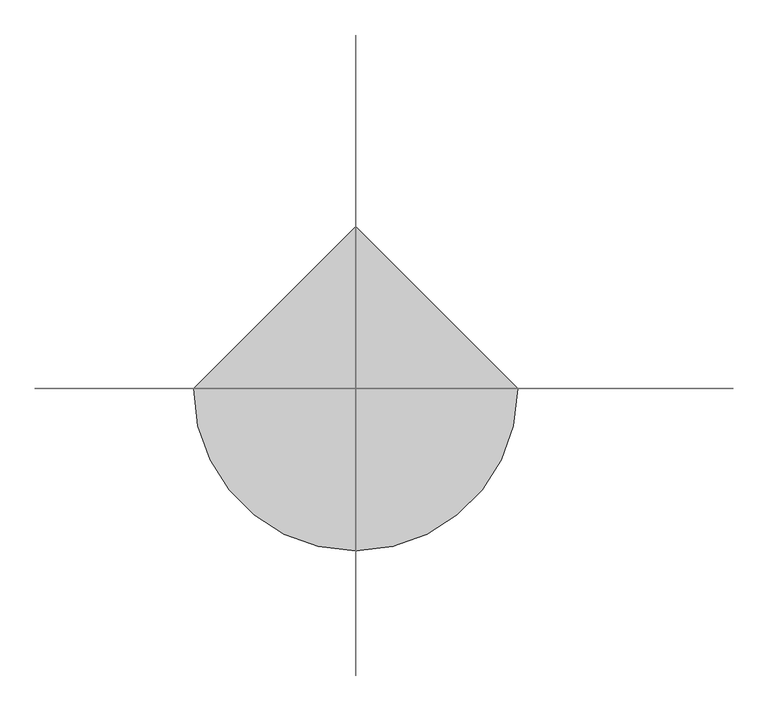
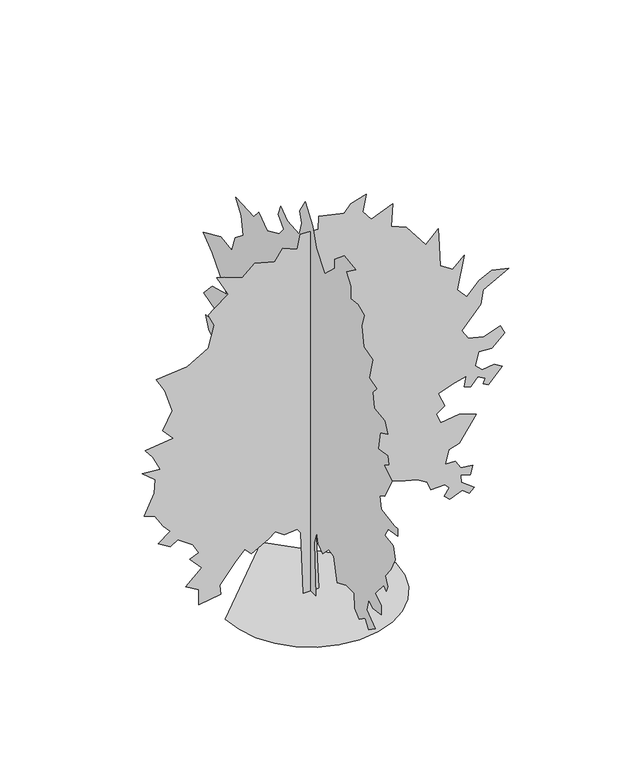
"""IFC4 building model written with IfcOpenShell, lengths in millimetres: geographic element geometry."""

from ifc_helpers import new_model, si_unit, origin, place, context, project, spatial, triangles, source, transform, mapped, element, save


def geographic_element_09a96fa2(model_context):
    return source(origin(), model_context, "Body", "Tessellation", [
        triangles([(-1888.5890831, 0.0, 0.0002649), (-1838.6639328, -432.7403375, 0.0002649), (-1696.4638916, -830.1419163, 0.0002649), (-1473.3886997, -1180.8209473, 0.0002649), (-1180.8209473, -1473.3886997, 0.0002649), (-830.1419163, -1696.4638916, 0.0002649), (-432.7391021, -1838.6639328, 0.0002649), (8.26e-05, -1888.5890831, 0.0002649), (432.7403375, -1838.6639328, 0.0002649), (830.1419163, -1696.4638916, 0.0002649), (1180.8209473, -1473.3886997, 0.0002649), (1473.3886997, -1180.8209473, 0.0002649), (1696.4638916, -830.1419163, 0.0002649), (1838.6639328, -432.7391021, 0.0002649), (1888.5890831, 0.0001651, 0.0002649), (-0.0002477, 1888.5890831, 0.0002649), (-159.0013776, 0.0, 0.0039451), (-221.7626812, -8.6e-05, 1443.5136337), (-297.0764889, -9.2e-05, 1543.9387539), (-585.7804873, -9.05e-05, 1518.8261879), (-786.616884, -9.88e-05, 1656.9138348), (-937.2445358, -9.2e-05, 1543.9387539), (-1313.8135563, -7.93e-05, 1330.5510521), (-1464.4386646, -8.9e-05, 1493.7262665), (-1677.8263664, -7.41e-05, 1242.6809795), (-2016.7391098, -5.01e-05, 841.0069508), (-1991.639043, -3.67e-05, 615.0655094), (-2481.1770401, -3.22e-05, 539.7516835), (-2481.1770401, -5.31e-05, 891.2169674), (-2769.8771507, -6.36e-05, 1066.9496275), (-2418.4144466, -8.3e-05, 1393.3136456), (-2682.0147812, -0.0001003, 1682.0139015), (-2481.1770401, -0.0001047, 1757.3264557), (-2619.2520424, -0.000119, 1995.8140789), (-2945.6149704, -0.0001332, 2234.3143467), (-3108.7898941, -0.0001264, 2121.3392658), (-3384.9401894, -0.0001362, 2284.5268341), (-3108.7898941, -0.0001481, 2485.3645752), (-3271.9776077, -0.0001586, 2661.0896049), (-3460.2652428, -0.0001766, 2962.3523209), (-3686.2029053, -0.0001811, 3037.664875), (-3472.8153488, -0.0002087, 3502.1028053), (-3447.7029282, -0.0002274, 3815.9031281), (-3736.415538, -0.0002417, 4054.4033958), (-3334.7400558, -0.0002394, 4016.7408691), (-3497.9152702, -0.0002596, 4355.6536125), (-3673.6530899, -0.0002723, 4569.041169), (-3046.027446, -0.0002768, 4644.3537231), (-3284.5277138, -0.0002925, 4907.9539124), (-3071.1398666, -0.0003157, 5297.0789978), (-3234.315081, -0.0003472, 5824.2799576), (-3422.6027161, -0.0003666, 6150.629805), (-2732.2271233, -0.0003703, 6213.3922531), (-2267.7893383, -0.0003868, 6489.5428391), (-2142.2642967, -0.000416, 6979.09319), (-2267.7893383, -0.0004324, 7255.2431946), (-2142.2642967, -0.0004392, 7368.2060669), (-1828.463974, -0.0004526, 7594.1562286), (-2079.5017033, -0.0004811, 8071.1439743), (-1916.3264889, -0.0004781, 8020.9313416), (-1514.651152, -0.0004691, 7870.3062332), (-1238.4996941, -0.0004841, 8121.3438171), (-799.1693882, -0.0004766, 7995.8189209), (-623.4367281, -0.0004923, 8259.4191101), (-297.0764889, -0.0004841, 8121.3438171), (-234.3151853, -0.0005035, 8447.7070358), (167.3588798, -0.000502, 8422.6068237), (179.9114021, -0.00052, 8723.8570404), (744.7655869, -0.0005125, 8598.3321442), (895.3920033, -0.0005222, 8761.5198578), (1234.3060547, -0.000529, 8874.4821487), (1158.9909571, -0.0005058, 8485.3692719), (1347.2760487, -0.0004916, 8246.8692947), (1824.2639397, -0.0005028, 8435.1566391), (1786.601413, -0.0004721, 7920.5066574), (2125.5141563, -0.0004639, 7782.4313644), (2552.3020592, -0.0004309, 7230.1307739), (2828.4523544, -0.0004474, 7506.2807785), (2853.5522758, -0.0004227, 7092.055481), (2878.6521973, -0.0003943, 6615.0677353), (3154.8149918, -0.0003838, 6439.3424149), (3405.8528664, -0.000398, 6677.8301834), (3255.227758, -0.0003531, 5924.6924332), (3468.6153145, -0.0003389, 5686.2046646), (3744.7656097, -0.0003561, 5974.9050659), (4020.9156143, -0.0003644, 6112.9797775), (4397.4911751, -0.0003591, 6025.1171173), (3832.6279793, -0.0003412, 5723.8546921), (3769.8780304, -0.0003217, 5397.4920547), (3355.6402336, -0.0002933, 4920.5037277), (3493.7277351, -0.0002806, 4707.1161713), (3845.1905846, -0.0002753, 4619.2538017), (4209.20354, -0.0002828, 4744.778698), (4309.6160156, -0.0002708, 4543.9412476), (4020.9156143, -0.0002551, 4280.3410583), (3732.2155037, -0.0002566, 4305.4409798), (3656.9029495, -0.0002387, 4004.1907631), (3807.5280579, -0.0002297, 3853.5656548), (4071.1282471, -0.0002319, 3891.2156822), (4246.8660667, -0.0002252, 3778.2531006), (3945.6030602, -0.0002057, 3451.8901726), (3832.6279793, -0.0002095, 3514.6529114), (3870.290506, -0.0002162, 3627.615493), (3707.1155823, -0.0002222, 3728.0404678), (3556.4779747, -0.000211, 3539.7528328), (3405.8528664, -0.000214, 3589.9654655), (3456.0652084, -0.0002282, 3828.4532341), (3192.4650192, -0.0002245, 3765.6904953), (2828.4523544, -0.0002162, 3627.615493), (2979.0774628, -0.0001968, 3301.2650642), (2790.7898277, -0.0001885, 3163.190062), (2891.2148026, -0.0001743, 2924.6897942), (3292.8902847, -0.0001781, 2987.452533), (3669.4530556, -0.0001706, 2861.927346), (3292.8902847, -0.0001377, 2309.6269009), (3066.9398323, -0.0001332, 2234.3143467), (2991.6272781, -0.0001145, 1920.5015247), (3205.0151253, -0.0001145, 1920.5015247), (3330.5403122, -0.0001025, 1719.663929), (3594.1405014, -0.0001003, 1682.0139015), (3543.9278687, -8.83e-05, 1481.1761604), (3330.5403122, -9.2e-05, 1543.9387539), (3343.0901276, -8.23e-05, 1380.7511856), (3631.8030281, -6.88e-05, 1154.8146858), (3518.8279472, -6.28e-05, 1054.3971233), (3368.2028389, -7.03e-05, 1179.9196941), (3092.0525436, -6.36e-05, 1066.9496275), (2966.5273567, -7.03e-05, 1179.9196941), (3079.4899384, -8.01e-05, 1343.1010128), (2979.0774628, -8.6e-05, 1443.5136337), (2665.2646408, -8.6e-05, 1443.5136337), (2589.9520866, -9.8e-05, 1644.3513748), (2364.0144241, -0.0001062, 1782.4263771), (2100.4142349, -0.00011, 1845.1889706), (1661.0888706, -0.0001182, 1983.2641182), (1535.5636837, -0.0001062, 1782.4263771), (1397.4886814, -0.0001137, 1907.951564), (1334.726088, -0.0001212, 2033.4766056), (1083.6770948, -0.0001212, 2033.4766056), (958.154524, -0.0001257, 2108.7891598), (518.8229101, -0.000119, 1995.8140789), (179.9114021, -0.0001062, 1782.4263771), (117.1493446, -8.68e-05, 1456.076239), (179.9114021, 0.0, 0.000237), (0.0, 181.8651528, 0.0), (0.0, 156.7613799, 1317.9885921), (0.0, 282.283987, 1845.1889706), (0.0, 508.2254102, 2133.8892265), (0.0, 972.6607607, 2297.0767948), (0.0, 1261.3635601, 1920.5015247), (0.0, 1361.7885349, 2133.8892265), (0.0, 1750.9014118, 2008.364185), (0.0, 2027.0517071, 2046.0267117), (0.0, 2391.0768711, 1669.4512962), (0.0, 2704.8770485, 1280.3385647), (0.0, 3031.2399765, 1255.2259987), (0.0, 2842.9523415, 1594.1387421), (0.0, 3269.7402443, 1732.2138897), (0.0, 3018.6898705, 1845.1889706), (0.0, 2579.3521523, 2046.0267117), (0.0, 2830.4022354, 2422.6019817), (0.0, 3068.9025032, 2711.3022377), (0.0, 2968.4775284, 3050.2149811), (0.0, 3169.3149788, 3464.4402786), (0.0, 3407.8152466, 3351.4651978), (0.0, 3734.1653847, 3238.5026161), (0.0, 3972.6656525, 3251.0527222), (0.0, 3696.5153572, 3627.615493), (0.0, 3909.9032043, 3765.6904953), (0.0, 4022.8782852, 4041.8407906), (0.0, 3696.5153572, 4054.3908966), (0.0, 3646.3030151, 4368.2034279), (0.0, 4098.1908394, 4506.2787209), (0.0, 3771.8279114, 4857.7412796), (0.0, 3219.5276115, 5008.3663879), (0.0, 3771.8279114, 5648.5418472), (0.0, 4123.2907608, 5912.1420364), (0.0, 3445.465274, 6213.3922531), (0.0, 3031.2399765, 6150.629805), (0.0, 2905.7147896, 6514.6552597), (0.0, 2579.3521523, 6778.2432404), (0.0, 2667.227021, 7179.9181412), (0.0, 2880.6148682, 7481.1811478), (0.0, 2177.6893147, 7456.0687271), (0.0, 2001.9516403, 7669.4684921), (0.0, 1675.5888577, 7430.968515), (0.0, 1211.1560143, 7644.3560715), (0.0, 1035.4233541, 7857.7436279), (0.0, 1236.2597145, 8083.6937897), (0.0, 1148.3934208, 8322.1815582), (0.0, 897.3482065, 8133.8942139), (0.0, 445.4641248, 8096.2441864), (0.0, 332.4940218, 8422.6068237), (0.0, 420.3590801, 8661.0945923), (0.0, 206.9701611, 9000.007045), (0.0, -81.73282, 8598.3321442), (0.0, -219.8076769, 8184.1068466), (0.0, -546.1679343, 7769.8815491), (0.0, -935.2894953, 8133.8942139), (0.0, -922.7382265, 8334.731955), (0.0, -1299.30107, 8648.5441956), (0.0, -1726.0888275, 8573.2319321), (0.0, -1362.0636635, 8309.6317429), (0.0, -1537.8011925, 8071.1317657), (0.0, -1537.8011925, 7782.4313644), (0.0, -1813.9514877, 7820.0936005), (0.0, -2065.0017162, 7719.6689163), (0.0, -1964.5765961, 7405.8683029), (0.0, -2039.8891502, 6966.5305847), (0.0, -2378.8018936, 6866.1181091), (0.0, -2253.2893513, 6364.0173615), (0.0, -2541.9896072, 6276.1552826), (0.0, -2391.3644989, 6112.9797775), (0.0, -2441.5643417, 5761.5169281), (0.0, -2843.2398239, 5711.3048767), (0.0, -2956.2149048, 5460.2545029), (0.0, -2667.5147942, 5322.1792099), (0.0, -2604.7520554, 4907.9539124), (0.0, -2956.2149048, 4958.1665451), (0.0, -3006.4275375, 4782.4287254), (0.0, -2805.5897964, 4656.9038292), (0.0, -3131.9399345, 4468.6286934), (0.0, -2843.2398239, 3941.428315), (0.0, -2654.9521889, 3841.0030495), (0.0, -2705.1648216, 3552.3029388), (0.0, -3219.815094, 3476.9903847), (0.0, -3345.3402809, 3489.5402), (0.0, -3345.3402809, 3313.8151703), (0.0, -2981.3148262, 3251.0527222), (0.0, -2855.78993, 3037.664875), (0.0, -3182.1525673, 2987.452533), (0.0, -3244.9150154, 2698.7521317), (0.0, -3081.7400917, 2359.8393883), (0.0, -2868.3522446, 2096.2391991), (0.0, -2968.7650108, 1895.4016033), (0.0, -2906.002272, 1757.3264557), (0.0, -2818.1399025, 1845.1889706), (0.0, -2479.2268684, 1443.5136337), (0.0, -2717.714637, 1292.8885254), (0.0, -2717.714637, 1092.050857), (0.0, -2378.8018936, 1029.2895716), (0.0, -2228.1767853, 1142.2609463), (0.0, -2152.8642311, 866.1094156), (0.0, -2479.2268684, 615.062966), (0.0, -2228.1767853, 439.3316139), (0.0, -2090.1016376, 627.6155428), (0.0, -1864.1639751, 464.4353868), (0.0, -1700.9764069, 627.6155428), (0.0, -1675.8763401, 953.975782), (0.0, -1374.6261234, 966.5282862), (0.0, -1023.1558617, 815.9006344), (0.0, -897.6332182, 1355.6511189), (0.0, -696.7955498, 1380.7511856), (0.0, -464.5778927, 1154.812215), (0.0, -295.1227382, 1280.3385647), (0.0, -232.3614347, 1506.2762272), (0.0, -144.4938692, 1230.1259319), (0.0, -194.703904, 0.0013243)], [[15, 16, 1], [14, 15, 1], [14, 1, 2], [13, 14, 2], [13, 2, 3], [13, 3, 4], [12, 13, 4], [11, 12, 4], [11, 4, 5], [11, 5, 6], [11, 6, 7], [11, 7, 8], [11, 8, 9], [11, 9, 10], [43, 44, 45], [81, 82, 83], [86, 87, 88], [85, 86, 88], [58, 59, 60], [77, 78, 79], [46, 47, 48], [58, 60, 61], [70, 71, 72], [84, 85, 88], [73, 74, 75], [51, 52, 53], [36, 37, 38], [35, 36, 38], [31, 32, 33], [84, 88, 89], [113, 114, 115], [29, 30, 31], [123, 124, 125], [123, 125, 126], [135, 136, 137], [67, 68, 69], [99, 100, 101], [98, 99, 101], [112, 113, 115], [112, 115, 116], [143, 144, 17], [143, 17, 18], [27, 28, 29], [26, 27, 29], [40, 41, 42], [119, 120, 121], [119, 121, 122], [69, 70, 72], [26, 29, 31], [25, 26, 31], [84, 89, 90], [105, 106, 107], [104, 105, 107], [45, 46, 48], [127, 128, 129], [126, 127, 129], [123, 126, 129], [122, 123, 129], [122, 129, 130], [65, 66, 67], [92, 93, 94], [92, 94, 95], [92, 95, 96], [91, 92, 96], [101, 102, 103], [98, 101, 103], [98, 103, 104], [97, 98, 104], [97, 104, 107], [135, 137, 138], [63, 64, 65], [109, 110, 111], [142, 143, 18], [142, 18, 19], [22, 23, 24], [119, 122, 130], [118, 119, 130], [117, 118, 130], [117, 130, 131], [117, 131, 132], [55, 56, 57], [48, 49, 50], [50, 51, 53], [25, 31, 33], [24, 25, 33], [117, 132, 133], [116, 117, 133], [112, 116, 133], [112, 133, 134], [112, 134, 135], [111, 112, 135], [77, 79, 80], [61, 62, 63], [111, 135, 138], [55, 57, 58], [83, 84, 90], [109, 111, 138], [109, 138, 139], [109, 139, 140], [80, 81, 83], [24, 33, 34], [91, 96, 97], [91, 97, 107], [91, 107, 108], [91, 108, 109], [90, 91, 109], [19, 20, 21], [142, 19, 21], [50, 53, 54], [69, 72, 73], [67, 69, 73], [65, 67, 73], [65, 73, 75], [48, 50, 54], [21, 22, 24], [21, 24, 34], [58, 61, 63], [55, 58, 63], [54, 55, 63], [54, 63, 65], [54, 65, 75], [48, 54, 75], [48, 75, 76], [48, 76, 77], [48, 77, 80], [48, 80, 83], [48, 83, 90], [48, 90, 109], [48, 109, 140], [48, 140, 141], [48, 141, 142], [48, 142, 21], [48, 21, 34], [45, 48, 34], [45, 34, 35], [45, 35, 38], [45, 38, 39], [45, 39, 40], [45, 40, 42], [45, 42, 43], [157, 158, 159], [201, 202, 203], [182, 183, 184], [155, 156, 157], [166, 167, 168], [200, 201, 203], [176, 177, 178], [154, 155, 157], [149, 150, 151], [172, 173, 174], [211, 212, 213], [165, 166, 168], [194, 195, 196], [193, 194, 196], [235, 236, 237], [169, 170, 171], [243, 244, 245], [243, 245, 246], [189, 190, 191], [188, 189, 191], [157, 159, 160], [154, 157, 160], [153, 154, 160], [250, 251, 252], [234, 235, 237], [199, 200, 203], [226, 227, 228], [226, 228, 229], [225, 226, 229], [193, 196, 197], [192, 193, 197], [168, 169, 171], [258, 145, 146], [257, 258, 146], [172, 174, 175], [221, 222, 223], [215, 216, 217], [214, 215, 217], [256, 257, 146], [256, 146, 147], [209, 210, 211], [184, 185, 186], [206, 207, 208], [218, 219, 220], [218, 220, 221], [246, 247, 248], [246, 248, 249], [243, 246, 249], [242, 243, 249], [253, 254, 255], [253, 255, 256], [239, 240, 241], [238, 239, 241], [238, 241, 242], [205, 206, 208], [199, 203, 204], [199, 204, 205], [198, 199, 205], [225, 229, 230], [181, 182, 184], [175, 176, 178], [175, 178, 179], [164, 165, 168], [164, 168, 171], [230, 231, 232], [230, 232, 233], [188, 191, 192], [221, 223, 224], [181, 184, 186], [192, 197, 198], [230, 233, 234], [153, 160, 161], [161, 162, 163], [153, 161, 163], [164, 171, 172], [164, 172, 175], [218, 221, 224], [198, 205, 208], [198, 208, 209], [198, 209, 211], [188, 192, 198], [187, 188, 198], [187, 198, 211], [186, 187, 211], [181, 186, 211], [181, 211, 213], [181, 213, 214], [181, 214, 217], [181, 217, 218], [181, 218, 224], [180, 181, 224], [179, 180, 224], [175, 179, 224], [164, 175, 224], [163, 164, 224], [153, 163, 224], [152, 153, 224], [151, 152, 224], [149, 151, 224], [148, 149, 224], [148, 224, 225], [147, 148, 225], [256, 147, 225], [253, 256, 225], [252, 253, 225], [252, 225, 230], [252, 230, 234], [252, 234, 237], [252, 237, 238], [250, 252, 238], [249, 250, 238], [242, 249, 238]], closed=False),
    ])


if __name__ == "__main__":
    model = new_model("IFC4")
    model_context = context("Model", 3, world=origin())
    ifc_project = project(units=[si_unit("LENGTHUNIT", "METRE", prefix="MILLI")], contexts=[model_context])
    site = spatial("IfcSite", under=ifc_project)
    building = spatial("IfcBuilding", under=site)
    placement = place(None, origin())
    geographic_element_shape = geographic_element_09a96fa2(model_context)
    element("IfcGeographicElement", 1, at=placement, inside=building, context=model_context, shape_type="MappedRepresentation", body=[
        mapped(geographic_element_shape, transform((0.0, 0.0, 0.0), x_axis=(1.0, 0.0, 0.0), y_axis=(0.0, 1.0, 0.0), z_axis=(0.0, 0.0, 1.0))),
    ])
    save(model, "model.ifc")
